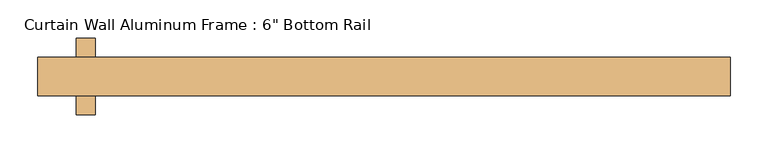
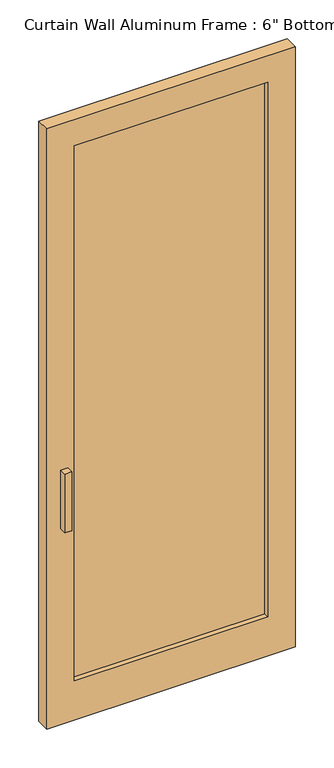
"""IFC4 building model written with IfcOpenShell, lengths in millimetres: door geometry."""

import ifcopenshell
import ifcopenshell.guid

model = None  # the IFC model being written
_history = None  # IfcOwnerHistory: only IFC2X3 demands one
_inside = {}  # id of a spatial element -> (the spatial element, [elements in it])
_under = {}  # id of a project, library or spatial element -> (it, [spatial elements below it])
_declared = {}  # id of a project -> (the project, [libraries it declares])
_typed = {}  # id of a type object -> (the type object, [elements of that type])
_made_of = {}  # id of a material, layer set ... -> (it, [elements and type objects made of it])


def new_model(schema):
    """Start an empty IFC model of exactly this schema.

    Asked for "IFC4X3", IfcOpenShell would pick the latest addendum, in which some entities
    have other attributes; the version numbers below select the first issue.
    IFC2X3 requires an IfcOwnerHistory on every rooted entity: one is made here for all.
    """
    global model, _history
    if schema == "IFC4X3":
        model = ifcopenshell.file(schema_version=(4, 3, 0, 0))
    else:
        model = ifcopenshell.file(schema=schema)
    _inside.clear()
    _under.clear()
    _declared.clear()
    _typed.clear()
    _made_of.clear()
    _history = None
    if model.schema == "IFC2X3":
        org = make("IfcOrganization", Name="unknown")
        user = make(
            "IfcPersonAndOrganization",
            ThePerson=make("IfcPerson", FamilyName="unknown"),
            TheOrganization=org,
        )
        app = make(
            "IfcApplication",
            ApplicationDeveloper=org,
            Version="unknown",
            ApplicationFullName="unknown",
            ApplicationIdentifier="unknown",
        )
        _history = make(
            "IfcOwnerHistory",
            OwningUser=user,
            OwningApplication=app,
            ChangeAction="ADDED",
            CreationDate=0,
        )
    return model


def make(cls, **values):
    """One entity of the class cls with the attributes given. An attribute that is None is left unset."""
    return model.create_entity(
        cls, **{name: value for name, value in values.items() if value is not None}
    )


def rooted(cls, **values):
    """An entity with a GlobalId (a new one), such as an element, a storey or a relation."""
    return make(cls, GlobalId=ifcopenshell.guid.new(), OwnerHistory=_history, **values)


def si_unit(unit_type, name, prefix=None):
    """IfcSIUnit, for example si_unit("LENGTHUNIT", "METRE", prefix="MILLI")."""
    return make("IfcSIUnit", UnitType=unit_type, Prefix=prefix, Name=name)


def assignment(units):
    """IfcUnitAssignment: the units of a project."""
    return None if units is None else make("IfcUnitAssignment", Units=units)


def point(xyz):
    """IfcCartesianPoint."""
    return None if xyz is None else make("IfcCartesianPoint", Coordinates=xyz)


def direction(xyz):
    """IfcDirection."""
    return None if xyz is None else make("IfcDirection", DirectionRatios=xyz)


def frame(location, z_axis=None, x_axis=None):
    """IfcAxis2Placement3D, a coordinate frame: its origin and axes. An axis left out is left unset."""
    return make(
        "IfcAxis2Placement3D",
        Location=point(location),
        Axis=direction(z_axis),
        RefDirection=direction(x_axis),
    )


def origin():
    """The frame at (0, 0, 0) with its axes left unset."""
    return frame((0.0, 0.0, 0.0))


def place(relative_to, where):
    """IfcLocalPlacement: puts the frame where relative to a parent placement (None: the world)."""
    return make(
        "IfcLocalPlacement", PlacementRelTo=relative_to, RelativePlacement=where
    )


def context(
    kind, dimensions, precision=None, world=None, true_north=None, identifier=None
):
    """IfcGeometricRepresentationContext, for example the 3D "Model" context."""
    return make(
        "IfcGeometricRepresentationContext",
        ContextIdentifier=identifier,
        ContextType=kind,
        CoordinateSpaceDimension=dimensions,
        Precision=precision,
        WorldCoordinateSystem=world,
        TrueNorth=true_north,
    )


def project(units=None, contexts=None):
    """IfcProject with its units and contexts."""
    return rooted(
        "IfcProject",
        Name="project",
        RepresentationContexts=contexts,
        UnitsInContext=assignment(units),
    )


def spatial(cls, under=None, at=None, **own):
    """A site, building, storey or space (cls), placed at a placement, below another one or the project."""
    s = rooted(cls, ObjectPlacement=at, **own)
    if under is not None:
        _under.setdefault(under.id(), (under, []))[1].append(s)
    return s


def polyline(points):
    """IfcPolyline through the points."""
    return make("IfcPolyline", Points=[point(p) for p in points])


def outline(outer, holes=None, kind="AREA"):
    """IfcArbitraryClosedProfileDef: a profile drawn as a closed curve; with holes, ...WithVoids."""
    if holes is None:
        return make("IfcArbitraryClosedProfileDef", ProfileType=kind, OuterCurve=outer)
    return make(
        "IfcArbitraryProfileDefWithVoids",
        ProfileType=kind,
        OuterCurve=outer,
        InnerCurves=holes,
    )


def extrude(swept, where, along, depth):
    """IfcExtrudedAreaSolid: the profile swept, set in the frame where, extruded along a direction by depth."""
    return make(
        "IfcExtrudedAreaSolid",
        SweptArea=swept,
        Position=where,
        ExtrudedDirection=direction(along),
        Depth=depth,
    )


def shape(context_of_items, identifier, shape_type, items):
    """IfcShapeRepresentation: the items that make up one representation, for example the "Body"."""
    return make(
        "IfcShapeRepresentation",
        ContextOfItems=context_of_items,
        RepresentationIdentifier=identifier,
        RepresentationType=shape_type,
        Items=items,
    )


def source(mapping_origin, context_of_items, identifier, shape_type, items):
    """IfcRepresentationMap: a shape defined once, which mapped items show again and again."""
    return make(
        "IfcRepresentationMap",
        MappingOrigin=mapping_origin,
        MappedRepresentation=shape(context_of_items, identifier, shape_type, items),
    )


def transform(
    local_origin,
    x_axis=None,
    y_axis=None,
    z_axis=None,
    scale=None,
    scale2=None,
    scale3=None,
    uniform=True,
):
    """IfcCartesianTransformationOperator3D, or its non-uniform kind. x_axis, y_axis, z_axis: its Axis1, 2, 3."""
    if uniform:
        return make(
            "IfcCartesianTransformationOperator3D",
            Axis1=direction(x_axis),
            Axis2=direction(y_axis),
            LocalOrigin=point(local_origin),
            Scale=scale,
            Axis3=direction(z_axis),
        )
    return make(
        "IfcCartesianTransformationOperator3DnonUniform",
        Axis1=direction(x_axis),
        Axis2=direction(y_axis),
        LocalOrigin=point(local_origin),
        Scale=scale,
        Axis3=direction(z_axis),
        Scale2=scale2,
        Scale3=scale3,
    )


def mapped(mapping_source, mapping_target):
    """IfcMappedItem: shows the shape of a source again, moved by a transform."""
    return make(
        "IfcMappedItem", MappingSource=mapping_source, MappingTarget=mapping_target
    )


def made_of(thing, what):
    """Note that an element or type object is made of a material, layer set ...; save() writes the relation."""
    if what is not None:
        _made_of.setdefault(what.id(), (what, []))[1].append(thing)
    return thing


def element(
    cls,
    number,
    at=None,
    inside=None,
    cuts=None,
    type_object=None,
    material=None,
    context=None,
    identifier="Body",
    shape_type=None,
    held_by="IfcProductDefinitionShape",
    body=None,
    shapes=None,
    **own,
):
    """One element of the class cls, such as IfcWall. Its Tag is "e" and its number.

    at: its placement. inside: the storey or other place that contains it. cuts: it is an
    opening in that element (IfcRelVoidsElement). A single representation is given by context,
    identifier, shape_type and body (its items); several are given by shapes. held_by: the class
    of the entity that holds the representations. save() writes the other relations.
    """
    e = rooted(cls, Tag="e%d" % number, ObjectPlacement=at, **own)
    if body is not None:
        shapes = [shape(context, identifier, shape_type, body)]
    if shapes is not None:
        e.Representation = make(held_by, Representations=shapes)
    if inside is not None:
        _inside.setdefault(inside.id(), (inside, []))[1].append(e)
    if cuts is not None:
        rooted(
            "IfcRelVoidsElement", RelatingBuildingElement=cuts, RelatedOpeningElement=e
        )
    if type_object is not None:
        _typed.setdefault(type_object.id(), (type_object, []))[1].append(e)
    return made_of(e, material)


def aggregate(whole, parts):
    """IfcRelAggregates: a whole, such as a stair, and the parts it consists of."""
    return rooted("IfcRelAggregates", RelatingObject=whole, RelatedObjects=parts)


def save(model, path):
    """Write the relations noted so far, then the file.

    IfcRelAggregates (storeys below a building ...), IfcRelContainedInSpatialStructure (elements
    in a storey), IfcRelDefinesByType, IfcRelAssociatesMaterial and IfcRelDeclares: one each for
    every whole, place, type object, material and project.
    """
    for whole, parts in _under.values():
        aggregate(whole, parts)
    for where, things in _inside.values():
        rooted(
            "IfcRelContainedInSpatialStructure",
            RelatedElements=things,
            RelatingStructure=where,
        )
    for kind, things in _typed.values():
        rooted("IfcRelDefinesByType", RelatedObjects=things, RelatingType=kind)
    for what, things in _made_of.values():
        rooted("IfcRelAssociatesMaterial", RelatedObjects=things, RelatingMaterial=what)
    for by, libraries in _declared.values():
        rooted("IfcRelDeclares", RelatingContext=by, RelatedDefinitions=libraries)
    model.write(path)


def door_8904efb4(model_context):
    return source(origin(), model_context, "Body", "SweptSolid", [
        extrude(outline(polyline([(355.6, -6.35), (-355.6, -6.35), (-355.6, 6.35), (355.6, 6.35), (355.6, -6.35)])), frame((0.0, 0.0, 152.4), z_axis=(0.0, 0.0, 1.0), x_axis=(1.0, 0.0, 0.0)), (0.0, 0.0, 1.0), 2082.8),
        extrude(outline(polyline([(2336.8, -457.1092903), (0.0, -457.1092903), (0.0, 457.2), (2336.8, 457.2), (2336.8, -457.1092903)]), holes=[polyline([(2235.2, 355.6), (152.4, 355.6), (152.4, -355.6), (2235.2, -355.6), (2235.2, 355.6)])]), frame((0.0, -25.4, 0.0), z_axis=(0.0, 1.0, 0.0), x_axis=(0.0, 0.0, 1.0)), (0.0, 0.0, 1.0), 50.8),
        extrude(outline(polyline([(-381.0000001, -50.8), (-406.4000001, -50.8), (-406.4000001, 0.0), (-381.0000001, 0.0), (-381.0000001, -50.8)])), frame((0.0, 0.0, 762.0), z_axis=(0.0, 0.0, 1.0), x_axis=(1.0, 0.0, 0.0)), (0.0, 0.0, 1.0), 228.6),
        extrude(outline(polyline([(-406.4000001, 50.8), (-381.0000001, 50.8), (-381.0000001, 0.0), (-406.4000001, 0.0), (-406.4000001, 50.8)])), frame((0.0, 0.0, 762.0), z_axis=(0.0, 0.0, 1.0), x_axis=(1.0, 0.0, 0.0)), (0.0, 0.0, 1.0), 228.6),
    ])


if __name__ == "__main__":
    model = new_model("IFC4")
    model_context = context("Model", 3, world=origin())
    ifc_project = project(units=[si_unit("LENGTHUNIT", "METRE", prefix="MILLI")], contexts=[model_context])
    site = spatial("IfcSite", under=ifc_project)
    building = spatial("IfcBuilding", under=site)
    placement = place(None, origin())
    door_shape = door_8904efb4(model_context)
    element("IfcDoor", 1, ObjectType="Curtain Wall Aluminum Frame : 6\" Bottom Rail", at=placement, inside=building, context=model_context, shape_type="MappedRepresentation", body=[
        mapped(door_shape, transform((0.0, 0.0, 0.0), x_axis=(1.0, 0.0, 0.0), y_axis=(0.0, 1.0, 0.0), z_axis=(0.0, 0.0, 1.0))),
    ])
    save(model, "model.ifc")
